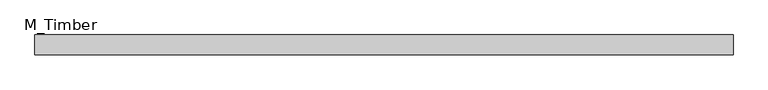
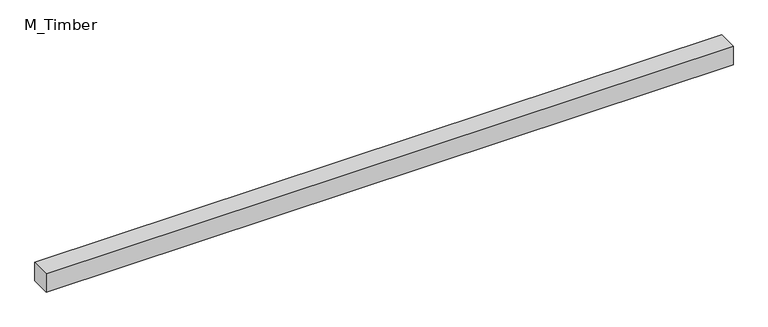
"""IFC4 building model written with IfcOpenShell, lengths in millimetres: beam geometry, M_Timber."""

from ifc_helpers import new_model, si_unit, frame, origin, place, context, project, spatial, polyline, outline, extrude, source, transform, mapped, element, save


def m_timber_b5fdcd65(model_context):
    return source(origin(), model_context, "Body", "SweptSolid", [
        extrude(outline(polyline([(703.2542317, 20.0), (703.2542317, -20.0), (-703.2542317, -20.0), (-703.2542317, 20.0), (703.2542317, 20.0)])), frame((0.0, 0.0, -20.0), z_axis=(0.0, 0.0, 1.0), x_axis=(1.0, 0.0, 0.0)), (0.0, 0.0, 1.0), 40.0),
    ])


if __name__ == "__main__":
    model = new_model("IFC4")
    model_context = context("Model", 3, world=origin())
    ifc_project = project(units=[si_unit("LENGTHUNIT", "METRE", prefix="MILLI")], contexts=[model_context])
    site = spatial("IfcSite", under=ifc_project)
    building = spatial("IfcBuilding", under=site)
    placement = place(None, origin())
    m_timber_shape = m_timber_b5fdcd65(model_context)
    element("IfcBeam", 1, ObjectType="M_Timber", at=placement, inside=building, context=model_context, shape_type="MappedRepresentation", body=[
        mapped(m_timber_shape, transform((0.0, 0.0, 0.0), x_axis=(1.0, 0.0, 0.0), y_axis=(0.0, 1.0, 0.0), z_axis=(0.0, 0.0, 1.0))),
    ])
    save(model, "model.ifc")
